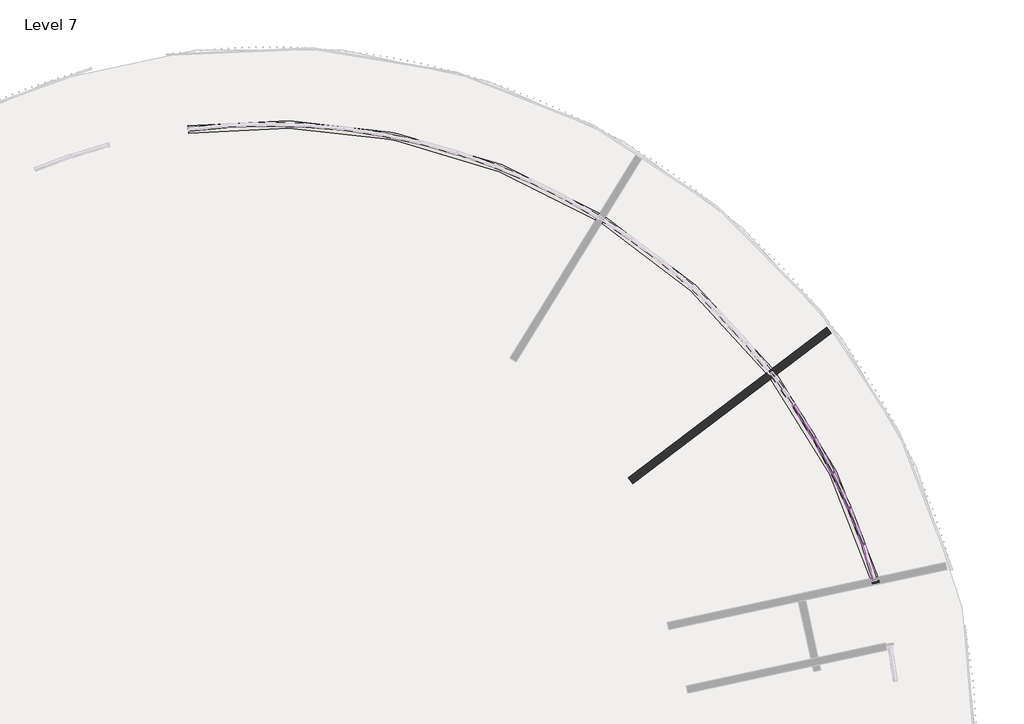
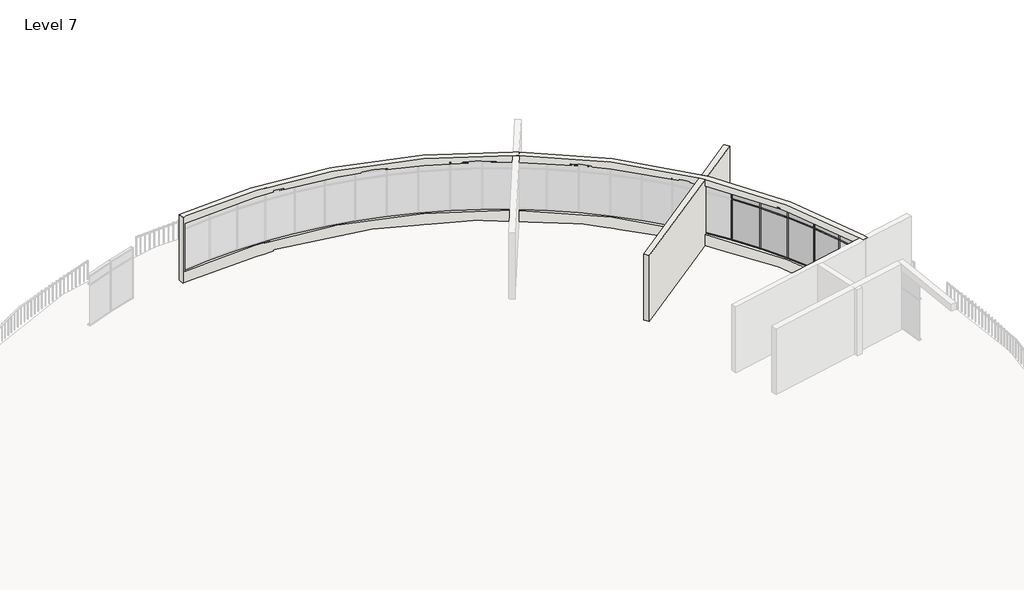
# One storey, part 9 of 10: 25 members, 9 plates, 2 walls.
"""IFC4 building model written with IfcOpenShell, lengths in millimetres."""

import ifcopenshell
import ifcopenshell.guid

model = None  # the IFC model being written
_history = None  # IfcOwnerHistory: only IFC2X3 demands one
_inside = {}  # id of a spatial element -> (the spatial element, [elements in it])
_under = {}  # id of a project, library or spatial element -> (it, [spatial elements below it])
_declared = {}  # id of a project -> (the project, [libraries it declares])
_typed = {}  # id of a type object -> (the type object, [elements of that type])
_made_of = {}  # id of a material, layer set ... -> (it, [elements and type objects made of it])


def new_model(schema):
    """Start an empty IFC model of exactly this schema.

    Asked for "IFC4X3", IfcOpenShell would pick the latest addendum, in which some entities
    have other attributes; the version numbers below select the first issue.
    IFC2X3 requires an IfcOwnerHistory on every rooted entity: one is made here for all.
    """
    global model, _history
    if schema == "IFC4X3":
        model = ifcopenshell.file(schema_version=(4, 3, 0, 0))
    else:
        model = ifcopenshell.file(schema=schema)
    _inside.clear()
    _under.clear()
    _declared.clear()
    _typed.clear()
    _made_of.clear()
    _history = None
    if model.schema == "IFC2X3":
        org = make("IfcOrganization", Name="unknown")
        user = make(
            "IfcPersonAndOrganization",
            ThePerson=make("IfcPerson", FamilyName="unknown"),
            TheOrganization=org,
        )
        app = make(
            "IfcApplication",
            ApplicationDeveloper=org,
            Version="unknown",
            ApplicationFullName="unknown",
            ApplicationIdentifier="unknown",
        )
        _history = make(
            "IfcOwnerHistory",
            OwningUser=user,
            OwningApplication=app,
            ChangeAction="ADDED",
            CreationDate=0,
        )
    return model


def make(cls, **values):
    """One entity of the class cls with the attributes given. An attribute that is None is left unset."""
    return model.create_entity(
        cls, **{name: value for name, value in values.items() if value is not None}
    )


def rooted(cls, **values):
    """An entity with a GlobalId (a new one), such as an element, a storey or a relation."""
    return make(cls, GlobalId=ifcopenshell.guid.new(), OwnerHistory=_history, **values)


def si_unit(unit_type, name, prefix=None):
    """IfcSIUnit, for example si_unit("LENGTHUNIT", "METRE", prefix="MILLI")."""
    return make("IfcSIUnit", UnitType=unit_type, Prefix=prefix, Name=name)


def assignment(units):
    """IfcUnitAssignment: the units of a project."""
    return None if units is None else make("IfcUnitAssignment", Units=units)


def point(xyz):
    """IfcCartesianPoint."""
    return None if xyz is None else make("IfcCartesianPoint", Coordinates=xyz)


def direction(xyz):
    """IfcDirection."""
    return None if xyz is None else make("IfcDirection", DirectionRatios=xyz)


def frame(location, z_axis=None, x_axis=None):
    """IfcAxis2Placement3D, a coordinate frame: its origin and axes. An axis left out is left unset."""
    return make(
        "IfcAxis2Placement3D",
        Location=point(location),
        Axis=direction(z_axis),
        RefDirection=direction(x_axis),
    )


def origin():
    """The frame at (0, 0, 0) with its axes left unset."""
    return frame((0.0, 0.0, 0.0))


def origin_with_axes():
    """The frame at (0, 0, 0) with the z axis (0, 0, 1) and the x axis (1, 0, 0) written out."""
    return frame((0.0, 0.0, 0.0), z_axis=(0.0, 0.0, 1.0), x_axis=(1.0, 0.0, 0.0))


def place(relative_to, where):
    """IfcLocalPlacement: puts the frame where relative to a parent placement (None: the world)."""
    return make(
        "IfcLocalPlacement", PlacementRelTo=relative_to, RelativePlacement=where
    )


def context(
    kind, dimensions, precision=None, world=None, true_north=None, identifier=None
):
    """IfcGeometricRepresentationContext, for example the 3D "Model" context."""
    return make(
        "IfcGeometricRepresentationContext",
        ContextIdentifier=identifier,
        ContextType=kind,
        CoordinateSpaceDimension=dimensions,
        Precision=precision,
        WorldCoordinateSystem=world,
        TrueNorth=true_north,
    )


def project(units=None, contexts=None):
    """IfcProject with its units and contexts."""
    return rooted(
        "IfcProject",
        Name="project",
        RepresentationContexts=contexts,
        UnitsInContext=assignment(units),
    )


def spatial(cls, under=None, at=None, **own):
    """A site, building, storey or space (cls), placed at a placement, below another one or the project."""
    s = rooted(cls, ObjectPlacement=at, **own)
    if under is not None:
        _under.setdefault(under.id(), (under, []))[1].append(s)
    return s


def polyline(points):
    """IfcPolyline through the points."""
    return make("IfcPolyline", Points=[point(p) for p in points])


def circle_curve(where, radius):
    """IfcCircle in the frame where."""
    return make("IfcCircle", Position=where, Radius=radius)


def outline(outer, holes=None, kind="AREA"):
    """IfcArbitraryClosedProfileDef: a profile drawn as a closed curve; with holes, ...WithVoids."""
    if holes is None:
        return make("IfcArbitraryClosedProfileDef", ProfileType=kind, OuterCurve=outer)
    return make(
        "IfcArbitraryProfileDefWithVoids",
        ProfileType=kind,
        OuterCurve=outer,
        InnerCurves=holes,
    )


def extrude(swept, where, along, depth):
    """IfcExtrudedAreaSolid: the profile swept, set in the frame where, extruded along a direction by depth."""
    return make(
        "IfcExtrudedAreaSolid",
        SweptArea=swept,
        Position=where,
        ExtrudedDirection=direction(along),
        Depth=depth,
    )


def shape(context_of_items, identifier, shape_type, items):
    """IfcShapeRepresentation: the items that make up one representation, for example the "Body"."""
    return make(
        "IfcShapeRepresentation",
        ContextOfItems=context_of_items,
        RepresentationIdentifier=identifier,
        RepresentationType=shape_type,
        Items=items,
    )


def source(mapping_origin, context_of_items, identifier, shape_type, items):
    """IfcRepresentationMap: a shape defined once, which mapped items show again and again."""
    return make(
        "IfcRepresentationMap",
        MappingOrigin=mapping_origin,
        MappedRepresentation=shape(context_of_items, identifier, shape_type, items),
    )


def transform(
    local_origin,
    x_axis=None,
    y_axis=None,
    z_axis=None,
    scale=None,
    scale2=None,
    scale3=None,
    uniform=True,
):
    """IfcCartesianTransformationOperator3D, or its non-uniform kind. x_axis, y_axis, z_axis: its Axis1, 2, 3."""
    if uniform:
        return make(
            "IfcCartesianTransformationOperator3D",
            Axis1=direction(x_axis),
            Axis2=direction(y_axis),
            LocalOrigin=point(local_origin),
            Scale=scale,
            Axis3=direction(z_axis),
        )
    return make(
        "IfcCartesianTransformationOperator3DnonUniform",
        Axis1=direction(x_axis),
        Axis2=direction(y_axis),
        LocalOrigin=point(local_origin),
        Scale=scale,
        Axis3=direction(z_axis),
        Scale2=scale2,
        Scale3=scale3,
    )


def mapped(mapping_source, mapping_target):
    """IfcMappedItem: shows the shape of a source again, moved by a transform."""
    return make(
        "IfcMappedItem", MappingSource=mapping_source, MappingTarget=mapping_target
    )


def made_of(thing, what):
    """Note that an element or type object is made of a material, layer set ...; save() writes the relation."""
    if what is not None:
        _made_of.setdefault(what.id(), (what, []))[1].append(thing)
    return thing


def element(
    cls,
    number,
    at=None,
    inside=None,
    cuts=None,
    type_object=None,
    material=None,
    context=None,
    identifier="Body",
    shape_type=None,
    held_by="IfcProductDefinitionShape",
    body=None,
    shapes=None,
    **own,
):
    """One element of the class cls, such as IfcWall. Its Tag is "e" and its number.

    at: its placement. inside: the storey or other place that contains it. cuts: it is an
    opening in that element (IfcRelVoidsElement). A single representation is given by context,
    identifier, shape_type and body (its items); several are given by shapes. held_by: the class
    of the entity that holds the representations. save() writes the other relations.
    """
    e = rooted(cls, Tag="e%d" % number, ObjectPlacement=at, **own)
    if body is not None:
        shapes = [shape(context, identifier, shape_type, body)]
    if shapes is not None:
        e.Representation = make(held_by, Representations=shapes)
    if inside is not None:
        _inside.setdefault(inside.id(), (inside, []))[1].append(e)
    if cuts is not None:
        rooted(
            "IfcRelVoidsElement", RelatingBuildingElement=cuts, RelatedOpeningElement=e
        )
    if type_object is not None:
        _typed.setdefault(type_object.id(), (type_object, []))[1].append(e)
    return made_of(e, material)


def aggregate(whole, parts):
    """IfcRelAggregates: a whole, such as a stair, and the parts it consists of."""
    return rooted("IfcRelAggregates", RelatingObject=whole, RelatedObjects=parts)


def save(model, path):
    """Write the relations noted so far, then the file.

    IfcRelAggregates (storeys below a building ...), IfcRelContainedInSpatialStructure (elements
    in a storey), IfcRelDefinesByType, IfcRelAssociatesMaterial and IfcRelDeclares: one each for
    every whole, place, type object, material and project.
    """
    for whole, parts in _under.values():
        aggregate(whole, parts)
    for where, things in _inside.values():
        rooted(
            "IfcRelContainedInSpatialStructure",
            RelatedElements=things,
            RelatingStructure=where,
        )
    for kind, things in _typed.values():
        rooted("IfcRelDefinesByType", RelatedObjects=things, RelatingType=kind)
    for what, things in _made_of.values():
        rooted("IfcRelAssociatesMaterial", RelatedObjects=things, RelatingMaterial=what)
    for by, libraries in _declared.values():
        rooted("IfcRelDeclares", RelatingContext=by, RelatedDefinitions=libraries)
    model.write(path)


def plane_surface(at):
    """IfcPlane: the flat surface through the origin of the frame at, square to its z axis."""
    return make("IfcPlane", Position=at)


def cylinder_surface(at, radius):
    """IfcCylindricalSurface: all points at the distance radius from the z axis of the frame at."""
    return make("IfcCylindricalSurface", Position=at, Radius=radius)


def revolved_surface(curve, axis_point, axis_direction):
    """IfcSurfaceOfRevolution: the curve turned about the line through axis_point along axis_direction."""
    return make(
        "IfcSurfaceOfRevolution",
        SweptCurve=make("IfcArbitraryOpenProfileDef", ProfileType="CURVE", Curve=curve),
        AxisPosition=make("IfcAxis1Placement", Location=point(axis_point), Axis=direction(axis_direction)),
    )


def advanced_brep(points, edges, surfaces, faces):
    """IfcAdvancedBrep: a solid bounded by faces that lie on surfaces and meet in shared edges.

    An edge is (start, end): straight between two places in points (the first is 0);
    or (start, end, curve); or (start, end, curve, False) where it runs against its curve.
    A face is (place in surfaces, loops), or (place, loops, False) where it looks against
    its surface's normal. A loop lists edges by number (the first is 1), with a minus sign
    where the edge is run from its end to its start. The first loop is the outer one.
    """
    corners = [point(p) for p in points]
    vertices = [make("IfcVertexPoint", VertexGeometry=c) for c in corners]
    made = []
    for start, end, *more in edges:
        made.append(
            make(
                "IfcEdgeCurve",
                EdgeStart=vertices[start],
                EdgeEnd=vertices[end],
                EdgeGeometry=more[0] if more else make("IfcPolyline", Points=[corners[start], corners[end]]),
                SameSense=more[1] if len(more) > 1 else True,
            )
        )
    hull = []
    for where, loops, *sense in faces:
        bounds = []
        for j, loop in enumerate(loops):
            ring = [make("IfcOrientedEdge", EdgeElement=made[abs(k) - 1], Orientation=k > 0) for k in loop]
            bounds.append(
                make(
                    "IfcFaceOuterBound" if j == 0 else "IfcFaceBound",
                    Bound=make("IfcEdgeLoop", EdgeList=ring),
                    Orientation=True,
                )
            )
        hull.append(make("IfcAdvancedFace", Bounds=bounds, FaceSurface=surfaces[where], SameSense=sense[0] if sense else True))
    return make("IfcAdvancedBrep", Outer=make("IfcClosedShell", CfsFaces=hull))


def rectangular_mullion_50_x_150mm_6225e4e3(model_context):
    return source(origin(), model_context, "Body", "SweptSolid", [
        extrude(outline(polyline([(25.0, 75.0), (25.0, -75.0), (-25.0, -75.0), (-25.0, 75.0), (25.0, 75.0)])), frame((0.0, 0.0, -2400.0), z_axis=(0.0, 0.0, 1.0), x_axis=(1.0, 0.0, 0.0)), (0.0, 0.0, 1.0), 2400.0),
    ])


def rectangular_mullion_50_x_150mm_6d614896(model_context):
    return source(origin(), model_context, "Body", "SweptSolid", [
        extrude(outline(polyline([(0.0, 75.0), (0.0, -75.0), (-50.0, -75.0), (-50.0, 75.0), (0.0, 75.0)])), frame((0.0, 0.0, -1494.9500293), z_axis=(0.0, 0.0, 1.0), x_axis=(1.0, 0.0, 0.0)), (0.0, 0.0, 1.0), 1494.9500293),
    ])


def rectangular_mullion_50_x_150mm_e67fcb05(model_context):
    return source(origin(), model_context, "Body", "SweptSolid", [
        extrude(outline(polyline([(0.0, 75.0), (0.0, -75.0), (-50.0, -75.0), (-50.0, 75.0), (0.0, 75.0)])), frame((0.0, 0.0, -1469.9500293), z_axis=(0.0, 0.0, 1.0), x_axis=(1.0, 0.0, 0.0)), (0.0, 0.0, 1.0), 1469.9500293),
    ])


def rectangular_mullion_50_x_150mm_73021700(model_context):
    return source(origin(), model_context, "Body", "SweptSolid", [
        extrude(outline(polyline([(25.0, 75.0), (25.0, -75.0), (-25.0, -75.0), (-25.0, 75.0), (25.0, 75.0)])), frame((0.0, 0.0, -1494.9500293), z_axis=(0.0, 0.0, 1.0), x_axis=(1.0, 0.0, 0.0)), (0.0, 0.0, 1.0), 1494.9500293),
    ])


def rectangular_mullion_50_x_150mm_1fcf8a90(model_context):
    return source(origin(), model_context, "Body", "SweptSolid", [
        extrude(outline(polyline([(25.0, 75.0), (25.0, -75.0), (-25.0, -75.0), (-25.0, 75.0), (25.0, 75.0)])), frame((0.0, 0.0, -405.6255213), z_axis=(0.0, 0.0, 1.0), x_axis=(1.0, 0.0, 0.0)), (0.0, 0.0, 1.0), 405.6255213),
    ])


def rectangular_mullion_50_x_150mm_15c7c822(model_context):
    return source(origin(), model_context, "Body", "SweptSolid", [
        extrude(outline(polyline([(25.0, 75.0), (25.0, -75.0), (-25.0, -75.0), (-25.0, 75.0), (25.0, 75.0)])), frame((0.0, 0.0, -1469.9500293), z_axis=(0.0, 0.0, 1.0), x_axis=(1.0, 0.0, 0.0)), (0.0, 0.0, 1.0), 1469.9500293),
    ])


def system_panel_glazed_e45d5687(model_context):
    return source(origin(), model_context, "Body", "SweptSolid", [
        extrude(outline(polyline([(747.4750147, 24.5), (-747.4750147, 24.5), (-747.4750147, 49.5), (747.4750147, 49.5), (747.4750147, 24.5)])), origin_with_axes(), (0.0, 0.0, 1.0), 2325.0),
    ])


def system_panel_glazed_f738d26e(model_context):
    return source(origin(), model_context, "Body", "SweptSolid", [
        extrude(outline(polyline([(747.4750147, 24.5), (-747.4750147, 24.5), (-747.4750147, 49.5), (747.4750147, 49.5), (747.4750147, 24.5)])), origin_with_axes(), (0.0, 0.0, 1.0), 330.6255213),
    ])


def system_panel_glazed_e63543ed(model_context):
    return source(origin(), model_context, "Body", "SweptSolid", [
        extrude(outline(polyline([(734.9750147, 24.5), (-734.9750147, 24.5), (-734.9750147, 49.5), (734.9750147, 49.5), (734.9750147, 24.5)])), origin_with_axes(), (0.0, 0.0, 1.0), 330.6255213),
    ])


model = new_model("IFC4")

# Units and contexts
model_context = context("Model", 3, world=origin())
ifc_project = project(units=[si_unit("LENGTHUNIT", "METRE", prefix="MILLI")], contexts=[model_context])

# Site, building, storey
site = spatial("IfcSite", under=ifc_project)
building = spatial("IfcBuilding", under=site)
storey = spatial("IfcBuildingStorey", under=building, Name="Level 7", Elevation=22600.0)

# Members
placement = place(None, origin())
rectangular_mullion_50_x_150mm_shape = rectangular_mullion_50_x_150mm_6225e4e3(model_context)
element("IfcMember", 1, ObjectType="Rectangular Mullion : 50 x 150mm", at=placement, inside=storey, context=model_context, shape_type="MappedRepresentation", body=[
    mapped(rectangular_mullion_50_x_150mm_shape, transform((14773.0954981, -45681.673062, 23256.5239523), x_axis=(-0.33366433978662624, 0.9426919477510959, 0.0), y_axis=(0.9426919477510959, 0.33366433978662624, 0.0), z_axis=(0.0, 0.0, -1.0))),
])
element("IfcMember", 2, ObjectType="Rectangular Mullion : 50 x 150mm", at=placement, inside=storey, context=model_context, shape_type="MappedRepresentation", body=[
    mapped(rectangular_mullion_50_x_150mm_shape, transform((14212.8452354, -44241.8848011, 23256.5239523), x_axis=(-0.3912558702228981, 0.9202819372432139, 0.0), y_axis=(0.9202819372432139, 0.3912558702228981, 0.0), z_axis=(0.0, 0.0, -1.0))),
])
element("IfcMember", 3, ObjectType="Rectangular Mullion : 50 x 150mm", at=placement, inside=storey, context=model_context, shape_type="MappedRepresentation", body=[
    mapped(rectangular_mullion_50_x_150mm_shape, transform((13564.7312169, -42839.4516254, 23256.5239523), x_axis=(-0.44735319724954964, 0.8943573765059499, 0.0), y_axis=(0.8943573765059499, 0.44735319724954964, 0.0), z_axis=(0.0, 0.0, -1.0))),
])
element("IfcMember", 4, ObjectType="Rectangular Mullion : 50 x 150mm", at=placement, inside=storey, context=model_context, shape_type="MappedRepresentation", body=[
    mapped(rectangular_mullion_50_x_150mm_shape, transform((12831.2285856, -41479.7294174, 23256.5239523), x_axis=(-0.5017420855702143, 0.8650172712539629, 0.0), y_axis=(0.8650172712539629, 0.5017420855702143, 0.0), z_axis=(0.0, 0.0, -1.0))),
])
element("IfcMember", 5, ObjectType="Rectangular Mullion : 50 x 150mm", at=placement, inside=storey, context=model_context, shape_type="MappedRepresentation", body=[
    mapped(rectangular_mullion_50_x_150mm_shape, transform((12015.1385828, -40167.9109465, 23256.5239523), x_axis=(-0.5542148244038911, 0.8323736711423326, 0.0), y_axis=(0.8323736711423326, 0.5542148244038911, 0.0), z_axis=(0.0, 0.0, -1.0))),
])
rectangular_mullion_50_x_150mm_2_shape = rectangular_mullion_50_x_150mm_6d614896(model_context)
element("IfcMember", 6, ObjectType="Rectangular Mullion : 50 x 150mm", at=placement, inside=storey, context=model_context, shape_type="MappedRepresentation", body=[
    mapped(rectangular_mullion_50_x_150mm_2_shape, transform((14764.0296666, -45658.3747637, 23256.5239523), x_axis=(0.0, 0.0, -1.0), y_axis=(0.931931928918202, 0.36263325807597857, 0.0), z_axis=(0.36263325807597857, -0.931931928918202, 0.0))),
])
element("IfcMember", 7, ObjectType="Rectangular Mullion : 50 x 150mm", at=placement, inside=storey, context=model_context, shape_type="MappedRepresentation", body=[
    mapped(rectangular_mullion_50_x_150mm_2_shape, transform((14202.3576143, -44219.1909736, 23256.5239523), x_axis=(0.0, 0.0, -1.0), y_axis=(0.9077530981912957, 0.4195048423130584, 0.0), z_axis=(0.4195048423130584, -0.9077530981912957, 0.0))),
])
element("IfcMember", 8, ObjectType="Rectangular Mullion : 50 x 150mm", at=placement, inside=storey, context=model_context, shape_type="MappedRepresentation", body=[
    mapped(rectangular_mullion_50_x_150mm_2_shape, transform((13552.8618584, -42817.4489363, 23256.5239523), x_axis=(0.0, 0.0, -1.0), y_axis=(0.8801075647830089, 0.47477434051528294, 0.0), z_axis=(0.47477434051528294, -0.8801075647830089, 0.0))),
])
element("IfcMember", 9, ObjectType="Rectangular Mullion : 50 x 150mm", at=placement, inside=storey, context=model_context, shape_type="MappedRepresentation", body=[
    mapped(rectangular_mullion_50_x_150mm_2_shape, transform((12818.0228187, -41458.5018947, 23256.5239523), x_axis=(0.0, 0.0, -1.0), y_axis=(0.849100906790487, 0.5282306788587471, 0.0), z_axis=(0.5282306788587471, -0.849100906790487, 0.0))),
])
element("IfcMember", 10, ObjectType="Rectangular Mullion : 50 x 150mm", at=placement, inside=storey, context=model_context, shape_type="MappedRepresentation", body=[
    mapped(rectangular_mullion_50_x_150mm_2_shape, transform((12000.6468401, -40147.5396581, 23256.5239523), x_axis=(0.0, 0.0, -1.0), y_axis=(0.8148515384219862, 0.5796697079642186, 0.0), z_axis=(0.5796697079642185, -0.8148515384219861, 0.0))),
])
rectangular_mullion_50_x_150mm_3_shape = rectangular_mullion_50_x_150mm_e67fcb05(model_context)
element("IfcMember", 11, ObjectType="Rectangular Mullion : 50 x 150mm", at=placement, inside=storey, context=model_context, shape_type="MappedRepresentation", body=[
    mapped(rectangular_mullion_50_x_150mm_3_shape, transform((14780.7049175, -45705.4868549, 26062.1494736), x_axis=(0.0, 0.0, 1.0), y_axis=(0.9525517181796632, 0.30437677998324963, 0.0), z_axis=(-0.30437677998324963, 0.9525517181796632, 0.0))),
])
element("IfcMember", 12, ObjectType="Rectangular Mullion : 50 x 150mm", at=placement, inside=storey, context=model_context, shape_type="MappedRepresentation", body=[
    mapped(rectangular_mullion_50_x_150mm_2_shape, transform((14221.9110668, -44265.1830993, 26062.1494736), x_axis=(0.0, 0.0, 1.0), y_axis=(0.931931928918202, 0.36263325807597874, 0.0), z_axis=(-0.36263325807597874, 0.931931928918202, 0.0))),
])
element("IfcMember", 13, ObjectType="Rectangular Mullion : 50 x 150mm", at=placement, inside=storey, context=model_context, shape_type="MappedRepresentation", body=[
    mapped(rectangular_mullion_50_x_150mm_2_shape, transform((13575.218838, -42862.1454528, 26062.1494736), x_axis=(0.0, 0.0, 1.0), y_axis=(0.9077530981912958, 0.41950484231305807, 0.0), z_axis=(-0.41950484231305807, 0.9077530981912958, 0.0))),
])
element("IfcMember", 14, ObjectType="Rectangular Mullion : 50 x 150mm", at=placement, inside=storey, context=model_context, shape_type="MappedRepresentation", body=[
    mapped(rectangular_mullion_50_x_150mm_2_shape, transform((12843.0979441, -41501.7321065, 26062.1494736), x_axis=(0.0, 0.0, 1.0), y_axis=(0.8801075647830084, 0.47477434051528383, 0.0), z_axis=(-0.47477434051528383, 0.8801075647830084, 0.0))),
])
element("IfcMember", 15, ObjectType="Rectangular Mullion : 50 x 150mm", at=placement, inside=storey, context=model_context, shape_type="MappedRepresentation", body=[
    mapped(rectangular_mullion_50_x_150mm_2_shape, transform((12028.3443498, -40189.1384692, 26062.1494736), x_axis=(0.0, 0.0, 1.0), y_axis=(0.849100906790487, 0.5282306788587471, 0.0), z_axis=(-0.5282306788587471, 0.849100906790487, 0.0))),
])
rectangular_mullion_50_x_150mm_4_shape = rectangular_mullion_50_x_150mm_73021700(model_context)
element("IfcMember", 16, ObjectType="Rectangular Mullion : 50 x 150mm", at=placement, inside=storey, context=model_context, shape_type="MappedRepresentation", body=[
    mapped(rectangular_mullion_50_x_150mm_4_shape, transform((14221.9110668, -44265.1830993, 25656.5239523), x_axis=(0.0, 0.0, 1.0), y_axis=(0.9319319289182019, 0.36263325807597885, 0.0), z_axis=(-0.36263325807597885, 0.9319319289182019, 0.0))),
])
element("IfcMember", 17, ObjectType="Rectangular Mullion : 50 x 150mm", at=placement, inside=storey, context=model_context, shape_type="MappedRepresentation", body=[
    mapped(rectangular_mullion_50_x_150mm_4_shape, transform((13575.218838, -42862.1454528, 25656.5239523), x_axis=(0.0, 0.0, 1.0), y_axis=(0.9077530981912961, 0.41950484231305746, 0.0), z_axis=(-0.4195048423130574, 0.907753098191296, 0.0))),
])
element("IfcMember", 18, ObjectType="Rectangular Mullion : 50 x 150mm", at=placement, inside=storey, context=model_context, shape_type="MappedRepresentation", body=[
    mapped(rectangular_mullion_50_x_150mm_4_shape, transform((12843.0979441, -41501.7321065, 25656.5239523), x_axis=(0.0, 0.0, 1.0), y_axis=(0.8801075647830084, 0.47477434051528383, 0.0), z_axis=(-0.47477434051528383, 0.8801075647830084, 0.0))),
])
element("IfcMember", 19, ObjectType="Rectangular Mullion : 50 x 150mm", at=placement, inside=storey, context=model_context, shape_type="MappedRepresentation", body=[
    mapped(rectangular_mullion_50_x_150mm_4_shape, transform((12028.3443498, -40189.1384692, 25656.5239523), x_axis=(0.0, 0.0, 1.0), y_axis=(0.849100906790487, 0.5282306788587471, 0.0), z_axis=(-0.5282306788587471, 0.849100906790487, 0.0))),
])
rectangular_mullion_50_x_150mm_5_shape = rectangular_mullion_50_x_150mm_1fcf8a90(model_context)
element("IfcMember", 20, ObjectType="Rectangular Mullion : 50 x 150mm", at=placement, inside=storey, context=model_context, shape_type="MappedRepresentation", body=[
    mapped(rectangular_mullion_50_x_150mm_5_shape, transform((14773.0954981, -45681.673062, 25656.5239523), x_axis=(-0.33366433978662624, 0.9426919477510959, 0.0), y_axis=(0.9426919477510959, 0.33366433978662624, 0.0), z_axis=(0.0, 0.0, -1.0))),
])
element("IfcMember", 21, ObjectType="Rectangular Mullion : 50 x 150mm", at=placement, inside=storey, context=model_context, shape_type="MappedRepresentation", body=[
    mapped(rectangular_mullion_50_x_150mm_5_shape, transform((14212.8452354, -44241.8848011, 25656.5239523), x_axis=(-0.39125587022289726, 0.9202819372432143, 0.0), y_axis=(0.9202819372432143, 0.39125587022289726, 0.0), z_axis=(0.0, 0.0, -1.0))),
])
element("IfcMember", 22, ObjectType="Rectangular Mullion : 50 x 150mm", at=placement, inside=storey, context=model_context, shape_type="MappedRepresentation", body=[
    mapped(rectangular_mullion_50_x_150mm_5_shape, transform((13564.7312169, -42839.4516254, 25656.5239523), x_axis=(-0.44735319724955125, 0.8943573765059492, 0.0), y_axis=(0.8943573765059492, 0.44735319724955125, 0.0), z_axis=(0.0, 0.0, -1.0))),
])
element("IfcMember", 23, ObjectType="Rectangular Mullion : 50 x 150mm", at=placement, inside=storey, context=model_context, shape_type="MappedRepresentation", body=[
    mapped(rectangular_mullion_50_x_150mm_5_shape, transform((12831.2285856, -41479.7294174, 25656.5239523), x_axis=(-0.5017420855702135, 0.8650172712539633, 0.0), y_axis=(0.8650172712539633, 0.5017420855702135, 0.0), z_axis=(0.0, 0.0, -1.0))),
])
element("IfcMember", 24, ObjectType="Rectangular Mullion : 50 x 150mm", at=placement, inside=storey, context=model_context, shape_type="MappedRepresentation", body=[
    mapped(rectangular_mullion_50_x_150mm_5_shape, transform((12015.1385828, -40167.9109465, 25656.5239523), x_axis=(-0.5542148244038911, 0.8323736711423326, 0.0), y_axis=(0.8323736711423326, 0.5542148244038911, 0.0), z_axis=(0.0, 0.0, -1.0))),
])
rectangular_mullion_50_x_150mm_6_shape = rectangular_mullion_50_x_150mm_15c7c822(model_context)
element("IfcMember", 25, ObjectType="Rectangular Mullion : 50 x 150mm", at=placement, inside=storey, context=model_context, shape_type="MappedRepresentation", body=[
    mapped(rectangular_mullion_50_x_150mm_6_shape, transform((14780.7049175, -45705.4868549, 25656.5239523), x_axis=(0.0, 0.0, 1.0), y_axis=(0.9525517181796632, 0.30437677998324963, 0.0), z_axis=(-0.30437677998324963, 0.9525517181796632, 0.0))),
])

# Plates
system_panel_glazed_shape = system_panel_glazed_e45d5687(model_context)
element("IfcPlate", 26, ObjectType="System Panel : Glazed", at=placement, inside=storey, context=model_context, shape_type="MappedRepresentation", body=[
    mapped(system_panel_glazed_shape, transform((14492.9703667, -44961.7789315, 23306.5239523), x_axis=(-0.36263325807597874, 0.931931928918202, 0.0), y_axis=(-0.931931928918202, -0.36263325807597874, 0.0), z_axis=(0.0, 0.0, 1.0))),
])
element("IfcPlate", 27, ObjectType="System Panel : Glazed", at=placement, inside=storey, context=model_context, shape_type="MappedRepresentation", body=[
    mapped(system_panel_glazed_shape, transform((13888.7882261, -43540.6682132, 23306.5239523), x_axis=(-0.4195048423130587, 0.9077530981912956, 0.0), y_axis=(-0.9077530981912956, -0.4195048423130587, 0.0), z_axis=(0.0, 0.0, 1.0))),
])
element("IfcPlate", 28, ObjectType="System Panel : Glazed", at=placement, inside=storey, context=model_context, shape_type="MappedRepresentation", body=[
    mapped(system_panel_glazed_shape, transform((13197.9799013, -42159.5905214, 23306.5239523), x_axis=(-0.47477434051528333, 0.8801075647830087, 0.0), y_axis=(-0.8801075647830087, -0.47477434051528333, 0.0), z_axis=(0.0, 0.0, 1.0))),
])
element("IfcPlate", 29, ObjectType="System Panel : Glazed", at=placement, inside=storey, context=model_context, shape_type="MappedRepresentation", body=[
    mapped(system_panel_glazed_shape, transform((12423.1835842, -40823.820182, 23306.5239523), x_axis=(-0.5282306788587471, 0.849100906790487, 0.0), y_axis=(-0.849100906790487, -0.5282306788587471, 0.0), z_axis=(0.0, 0.0, 1.0))),
])
system_panel_glazed_2_shape = system_panel_glazed_f738d26e(model_context)
element("IfcPlate", 30, ObjectType="System Panel : Glazed", at=placement, inside=storey, context=model_context, shape_type="MappedRepresentation", body=[
    mapped(system_panel_glazed_2_shape, transform((14492.9703667, -44961.7789315, 25681.5239523), x_axis=(-0.36263325807597874, 0.931931928918202, 0.0), y_axis=(-0.931931928918202, -0.36263325807597874, 0.0), z_axis=(0.0, 0.0, 1.0))),
])
element("IfcPlate", 31, ObjectType="System Panel : Glazed", at=placement, inside=storey, context=model_context, shape_type="MappedRepresentation", body=[
    mapped(system_panel_glazed_2_shape, transform((13888.7882261, -43540.6682132, 25681.5239523), x_axis=(-0.4195048423130587, 0.9077530981912956, 0.0), y_axis=(-0.9077530981912956, -0.4195048423130587, 0.0), z_axis=(0.0, 0.0, 1.0))),
])
element("IfcPlate", 32, ObjectType="System Panel : Glazed", at=placement, inside=storey, context=model_context, shape_type="MappedRepresentation", body=[
    mapped(system_panel_glazed_2_shape, transform((13197.9799013, -42159.5905214, 25681.5239523), x_axis=(-0.47477434051528333, 0.8801075647830088, 0.0), y_axis=(-0.8801075647830088, -0.47477434051528333, 0.0), z_axis=(0.0, 0.0, 1.0))),
])
element("IfcPlate", 33, ObjectType="System Panel : Glazed", at=placement, inside=storey, context=model_context, shape_type="MappedRepresentation", body=[
    mapped(system_panel_glazed_2_shape, transform((12423.1835842, -40823.820182, 25681.5239523), x_axis=(-0.5282306788587471, 0.849100906790487, 0.0), y_axis=(-0.849100906790487, -0.5282306788587471, 0.0), z_axis=(0.0, 0.0, 1.0))),
])
system_panel_glazed_3_shape = system_panel_glazed_e63543ed(model_context)
element("IfcPlate", 34, ObjectType="System Panel : Glazed", at=placement, inside=storey, context=model_context, shape_type="MappedRepresentation", body=[
    mapped(system_panel_glazed_3_shape, transform((15004.4142459, -46405.588568, 25681.5239523), x_axis=(-0.3043767799832502, 0.952551718179663, 0.0), y_axis=(-0.952551718179663, -0.3043767799832502, 0.0), z_axis=(0.0, 0.0, 1.0))),
])

# Walls
element("IfcWall", 35, ObjectType="Generic - 300mm", at=placement, inside=storey, context=model_context, shape_type="AdvancedBrep", body=[
    advanced_brep(
    [(13506.9903485, -37313.1583048, 22600.0), (13506.9903485, -37313.1583048, 26450.0), (11341.3935594, -38954.0996506, 26450.0), (11341.3935594, -38954.0996506, 26062.1494736), (11102.2795599, -39135.283909, 26062.1494736), (11102.2795599, -39135.283909, 26450.0), (5626.4927157, -43284.4612069, 26450.0), (5626.4927157, -43284.4612069, 22600.0), (11102.2795599, -39135.283909, 22600.0), (11102.2795599, -39135.283909, 23256.5239523), (11341.3935594, -38954.0996506, 23256.5239523), (11341.3935594, -38954.0996506, 22600.0), (13325.8093516, -37074.0486095, 26450.0), (13325.8093516, -37074.0486095, 22600.0), (11160.2125625, -38714.9899554, 22600.0), (11160.2125625, -38714.9899554, 23256.5239523), (10921.098563, -38896.1742137, 23256.5239523), (10921.098563, -38896.1742137, 22600.0), (5445.3117188, -43045.3515116, 22600.0), (5445.3117188, -43045.3515116, 26450.0), (10921.098563, -38896.1742137, 26450.0), (10921.098563, -38896.1742137, 26062.1494736), (11160.2125625, -38714.9899554, 26062.1494736), (11160.2125625, -38714.9899554, 26450.0)],
    [
        (0, 1),
        (1, 2),
        (2, 3),
        (3, 4),
        (4, 5),
        (5, 6),
        (6, 7),
        (7, 8),
        (8, 9),
        (9, 10),
        (10, 11),
        (11, 0),
        (12, 13),
        (13, 14),
        (14, 15),
        (15, 16),
        (16, 17),
        (17, 18),
        (18, 19),
        (19, 20),
        (20, 21),
        (21, 22),
        (22, 23),
        (23, 12),
        (13, 0),
        (11, 14, circle_curve(frame((-8794.2031957, -54023.2815566, 22600.0), z_axis=(0.0, 0.0, 1.0), x_axis=(1.0, 0.0, 0.0)), 25150.0)),
        (7, 18),
        (17, 8, circle_curve(frame((-8794.2031957, -54023.2815566, 22600.0), z_axis=(0.0, 0.0, -1.0), x_axis=(1.0, 0.0, 0.0)), 24850.0)),
        (12, 1),
        (6, 19),
        (4, 21, circle_curve(frame((-8794.2031957, -54023.2815566, 26062.1494736), z_axis=(0.0, 0.0, 1.0), x_axis=(1.0, 0.0, 0.0)), 24850.0)),
        (20, 5, circle_curve(frame((-8794.2031957, -54023.2815566, 26450.0), z_axis=(0.0, 0.0, -1.0), x_axis=(1.0, 0.0, 0.0)), 24850.0)),
        (16, 9, circle_curve(frame((-8794.2031957, -54023.2815566, 23256.5239523), z_axis=(0.0, 0.0, -1.0), x_axis=(1.0, 0.0, 0.0)), 24850.0)),
        (22, 3, circle_curve(frame((-8794.2031957, -54023.2815566, 26062.1494736), z_axis=(0.0, 0.0, -1.0), x_axis=(1.0, 0.0, 0.0)), 25150.0)),
        (2, 23, circle_curve(frame((-8794.2031957, -54023.2815566, 26450.0), z_axis=(0.0, 0.0, 1.0), x_axis=(1.0, 0.0, 0.0)), 25150.0)),
        (10, 15, circle_curve(frame((-8794.2031957, -54023.2815566, 23256.5239523), z_axis=(0.0, 0.0, 1.0), x_axis=(1.0, 0.0, 0.0)), 25150.0)),
    ],
    [
        plane_surface(frame((-8703.6126973, -54142.8364043, 22600.0), z_axis=(0.6039366563264414, -0.7970323175036492, 0.0), x_axis=(0.7970323175036492, 0.6039366563264414, 0.0))),
        plane_surface(frame((-8884.7936942, -53903.726709, 22600.0), z_axis=(-0.6039366563264414, 0.7970323175036492, 0.0), x_axis=(-0.7970323175036492, -0.6039366563264414, 0.0))),
        plane_surface(frame((5626.4927157, -43284.4612069, 22600.0), z_axis=(0.0, 0.0, -1.0), x_axis=(-0.6039366563264343, 0.7970323175036546, 0.0))),
        plane_surface(frame((13506.9903485, -37313.1583048, 22600.0), z_axis=(0.7970323175036581, 0.6039366563264298, 0.0), x_axis=(-0.6039366563264298, 0.7970323175036581, 0.0))),
        plane_surface(frame((5626.4927157, -43284.4612069, 26450.0), z_axis=(-0.7970323175036476, -0.6039366563264434, 0.0), x_axis=(-0.6039366563264434, 0.7970323175036476, 0.0))),
        cylinder_surface(frame((-8794.2031957, -54023.2815566, 22600.0), z_axis=(0.0, 0.0, -1.0), x_axis=(1.0, 0.0, 0.0)), 24850.0),
        revolved_surface(polyline([(16355.7968043, -54023.2815566, 26450.0), (16355.7968043, -54023.2815566, 26062.1494736)]), (-8794.2031957, -54023.2815566, 22600.0), (0.0, 0.0, 1.0)),
        revolved_surface(polyline([(16355.7968043, -54023.2815566, 23256.5239523), (16355.7968043, -54023.2815566, 22600.0)]), (-8794.2031957, -54023.2815566, 22600.0), (0.0, 0.0, 1.0)),
        plane_surface(frame((4774.245811, -33386.6966329, 26062.1494736), z_axis=(0.0, 0.0, 1.0), x_axis=(-0.8355704571975281, 0.5493833006733222, 0.0))),
        plane_surface(frame((19283.6901154, -54023.2815566, 26450.0), z_axis=(0.0, 0.0, 1.0), x_axis=(0.0, -1.0, 0.0))),
        plane_surface(frame((4774.245811, -33386.6966329, 23256.5239523), z_axis=(0.0, 0.0, -1.0), x_axis=(0.8355704571975348, -0.549383300673312, 0.0))),
    ],
    [
        (0, [[1, 2, 3, 4, 5, 6, 7, 8, 9, 10, 11, 12]]),
        (1, [[13, 14, 15, 16, 17, 18, 19, 20, 21, 22, 23, 24]]),
        (2, [[25, -12, 26, -14]]),
        (2, [[27, -18, 28, -8]]),
        (3, [[-1, -25, -13, 29]]),
        (4, [[-7, 30, -19, -27]]),
        (5, [[31, -21, 32, -5]]),
        (5, [[33, -9, -28, -17]]),
        (6, [[34, -3, 35, -23]]),
        (7, [[36, -15, -26, -11]]),
        (8, [[-31, -4, -34, -22]]),
        (9, [[-29, -24, -35, -2]]),
        (9, [[-30, -6, -32, -20]]),
        (10, [[-33, -16, -36, -10]]),
    ],
),
])
element("IfcWall", 36, ObjectType="Generic - 300mm", at=placement, inside=storey, context=model_context, shape_type="AdvancedBrep", body=[
    advanced_brep(
    [(15122.3281584, -47276.2801497, 22600.0), (15055.3869502, -47043.3429636, 22600.0), (11102.2760562, -39135.2792295, 22600.0), (10921.0952396, -38896.1700913, 22600.0), (4399.1796058, -32964.8593457, 22600.0), (4144.0030661, -32807.1246344, 22600.0), (-3751.8000793, -29690.2450136, 22600.0), (-4045.9296323, -29631.1435887, 22600.0), (-11849.9443497, -29361.8757279, 22600.0), (-12080.9921266, -29391.6044208, 22600.0), (-12120.671671, -29094.2401093, 22600.0), (-3986.8215133, -29337.0186922, 22600.0), (-3692.7049201, -29396.1173983, 22600.0), (4301.739291, -32551.9335904, 22600.0), (4556.9258176, -32709.674311, 22600.0), (11160.2120553, -38714.9895062, 22600.0), (11341.3926922, -38954.0984945, 22600.0), (15349.4011155, -46979.9256096, 22600.0), (15411.0589192, -47194.8274164, 22600.0), (15219.3416022, -47248.9120572, 22600.0), (15194.8478742, -47255.8218894, 22600.0), (15122.3281584, -47276.2801497, 26450.0), (15055.3915919, -47043.3583146, 26450.0), (11102.2767375, -39135.2801371, 26450.0), (10921.0956978, -38896.1704796, 26450.0), (4399.1829034, -32964.8613111, 26450.0), (4143.999808, -32807.122549, 26450.0), (-3751.8043055, -29690.2440678, 26450.0), (-4045.9253811, -29631.1443441, 26450.0), (-11849.9619606, -29361.8777367, 26450.0), (-12080.9921266, -29391.6044208, 26450.0), (-11995.0148515, -29380.2844835, 26062.1494736), (-4045.9236569, -29631.1446797, 26062.1494736), (-3751.8025601, -29690.2444295, 26062.1494736), (4144.0006937, -32807.1230892, 26062.1494736), (4399.1837962, -32964.8618704, 26062.1494736), (10921.0971362, -38896.1723541, 26062.1494736), (11102.2781383, -39135.2820092, 26062.1494736), (15055.391544, -47043.3581508, 26062.1494736), (15099.1171396, -47194.537649, 26062.1494736), (15099.1171396, -47194.537649, 23256.5239523), (15055.391544, -47043.3581508, 23256.5239523), (11102.2781383, -39135.2820092, 23256.5239523), (10921.0971362, -38896.1723541, 23256.5239523), (4399.1837962, -32964.8618704, 23256.5239523), (4144.0006937, -32807.1230892, 23256.5239523), (-3751.8025601, -29690.2444295, 23256.5239523), (-4045.9236569, -29631.1446797, 23256.5239523), (-11995.0148515, -29380.2844835, 23256.5239523), (15411.0589192, -47194.8274164, 26450.0), (15219.3416022, -47248.9120572, 26450.0), (15194.8478742, -47255.8218894, 26450.0), (-12120.671671, -29094.2401093, 26450.0), (-3986.8228433, -29337.0182884, 26450.0), (-3692.7017465, -29396.1180382, 26450.0), (4301.7409746, -32551.9344567, 26450.0), (4556.9241867, -32709.6732836, 26450.0), (11160.2124546, -38714.9898148, 26450.0), (11341.3933465, -38954.0993662, 26450.0), (15349.4058274, -46979.9412029, 26450.0), (15387.5676869, -47112.0980848, 26062.1494736), (15349.4058445, -46979.9412616, 26062.1494736), (11341.393547, -38954.0996341, 26062.1494736), (11160.2125495, -38714.9899385, 26062.1494736), (4556.9250766, -32709.673841, 26062.1494736), (4301.741882, -32551.9350101, 26062.1494736), (-3692.7017465, -29396.1180382, 26062.1494736), (-3986.8228433, -29337.0182884, 26062.1494736), (-12033.6564409, -29082.7835128, 26062.1494736), (-12033.6564409, -29082.7835128, 23256.5239523), (-3986.8228433, -29337.0182884, 23256.5239523), (-3692.7017465, -29396.1180382, 23256.5239523), (4301.741882, -32551.9350101, 23256.5239523), (4556.9250766, -32709.673841, 23256.5239523), (11160.2125495, -38714.9899385, 23256.5239523), (11341.393547, -38954.0996341, 23256.5239523), (15349.4058445, -46979.9412616, 23256.5239523), (15387.5676869, -47112.0980848, 23256.5239523), (15255.361186, -47149.882885, 26062.1494736), (15231.3236404, -47156.7528487, 26062.1494736), (15201.3134454, -47165.3298039, 26062.1494736), (15176.838106, -47172.3248896, 26062.1494736), (-12012.72558, -29243.929872, 26062.1494736), (-12015.9457124, -29219.1381244, 26062.1494736), (-12012.72558, -29243.929872, 23256.5239523), (-12015.9457124, -29219.1381244, 23256.5239523), (15176.838106, -47172.3248896, 23256.5239523), (15201.3134454, -47165.3298039, 23256.5239523), (15231.3236404, -47156.7528487, 23256.5239523), (15255.361186, -47149.882885, 23256.5239523)],
    [
        (0, 1, circle_curve(frame((-8794.2031957, -54023.2815566, 22600.0), z_axis=(0.0, 0.0, 1.0), x_axis=(1.0, 0.0, 0.0)), 24850.0)),
        (1, 2, circle_curve(frame((-8794.2031957, -54023.2815566, 22600.0), z_axis=(0.0, 0.0, 1.0), x_axis=(1.0, 0.0, 0.0)), 24849.999857)),
        (2, 3, circle_curve(frame((-8794.2031957, -54023.2815566, 22600.0), z_axis=(0.0, 0.0, 1.0), x_axis=(1.0, 0.0, 0.0)), 24849.9999983)),
        (3, 4, circle_curve(frame((-8794.2031957, -54023.2815566, 22600.0), z_axis=(0.0, 0.0, 1.0), x_axis=(1.0, 0.0, 0.0)), 24849.9998728)),
        (4, 5, circle_curve(frame((-8794.2031957, -54023.2815566, 22600.0), z_axis=(0.0, 0.0, 1.0), x_axis=(1.0, 0.0, 0.0)), 24849.9999147)),
        (5, 6, circle_curve(frame((-8794.2031957, -54023.2815566, 22600.0), z_axis=(0.0, 0.0, 1.0), x_axis=(1.0, 0.0, 0.0)), 24849.999916)),
        (6, 7, circle_curve(frame((-8794.2031957, -54023.2815566, 22600.0), z_axis=(0.0, 0.0, 1.0), x_axis=(1.0, 0.0, 0.0)), 24849.9999314)),
        (7, 8, circle_curve(frame((-8794.2031957, -54023.2815566, 22600.0), z_axis=(0.0, 0.0, 1.0), x_axis=(1.0, 0.0, 0.0)), 24849.9999292)),
        (8, 9, circle_curve(frame((-8794.2031957, -54023.2815566, 22600.0), z_axis=(0.0, 0.0, 1.0), x_axis=(1.0, 0.0, 0.0)), 24849.9998279)),
        (9, 10),
        (10, 11, circle_curve(frame((-8794.2031957, -54023.2815566, 22600.0), z_axis=(0.0, 0.0, -1.0), x_axis=(1.0, 0.0, 0.0)), 25150.0)),
        (11, 12, circle_curve(frame((-8794.2031957, -54023.2815566, 22600.0), z_axis=(0.0, 0.0, -1.0), x_axis=(1.0, 0.0, 0.0)), 25149.9998579)),
        (12, 13, circle_curve(frame((-8794.2031957, -54023.2815566, 22600.0), z_axis=(0.0, 0.0, -1.0), x_axis=(1.0, 0.0, 0.0)), 25149.9999828)),
        (13, 14, circle_curve(frame((-8794.2031957, -54023.2815566, 22600.0), z_axis=(0.0, 0.0, -1.0), x_axis=(1.0, 0.0, 0.0)), 25149.9998629)),
        (14, 15, circle_curve(frame((-8794.2031957, -54023.2815566, 22600.0), z_axis=(0.0, 0.0, -1.0), x_axis=(1.0, 0.0, 0.0)), 25149.9999951)),
        (15, 16, circle_curve(frame((-8794.2031957, -54023.2815566, 22600.0), z_axis=(0.0, 0.0, -1.0), x_axis=(1.0, 0.0, 0.0)), 25149.999871)),
        (16, 17, circle_curve(frame((-8794.2031957, -54023.2815566, 22600.0), z_axis=(0.0, 0.0, -1.0), x_axis=(1.0, 0.0, 0.0)), 25149.9999985)),
        (17, 18, circle_curve(frame((-8794.2031957, -54023.2815566, 22600.0), z_axis=(0.0, 0.0, -1.0), x_axis=(1.0, 0.0, 0.0)), 25149.9998436)),
        (18, 19),
        (19, 20),
        (20, 0),
        (0, 21),
        (21, 22, circle_curve(frame((-8794.2031957, -54023.2815566, 26450.0), z_axis=(0.0, 0.0, 1.0), x_axis=(1.0, 0.0, 0.0)), 24850.0)),
        (22, 23, circle_curve(frame((-8794.2031957, -54023.2815566, 26450.0), z_axis=(0.0, 0.0, 1.0), x_axis=(1.0, 0.0, 0.0)), 24850.0)),
        (23, 24, circle_curve(frame((-8794.2031957, -54023.2815566, 26450.0), z_axis=(0.0, 0.0, 1.0), x_axis=(1.0, 0.0, 0.0)), 24850.0)),
        (24, 25, circle_curve(frame((-8794.2031957, -54023.2815566, 26450.0), z_axis=(0.0, 0.0, 1.0), x_axis=(1.0, 0.0, 0.0)), 24850.0)),
        (25, 26, circle_curve(frame((-8794.2031957, -54023.2815566, 26450.0), z_axis=(0.0, 0.0, 1.0), x_axis=(1.0, 0.0, 0.0)), 24850.0)),
        (26, 27, circle_curve(frame((-8794.2031957, -54023.2815566, 26450.0), z_axis=(0.0, 0.0, 1.0), x_axis=(1.0, 0.0, 0.0)), 24850.0)),
        (27, 28, circle_curve(frame((-8794.2031957, -54023.2815566, 26450.0), z_axis=(0.0, 0.0, 1.0), x_axis=(1.0, 0.0, 0.0)), 24850.0)),
        (28, 29, circle_curve(frame((-8794.2031957, -54023.2815566, 26450.0), z_axis=(0.0, 0.0, 1.0), x_axis=(1.0, 0.0, 0.0)), 24850.0)),
        (29, 30, circle_curve(frame((-8794.2031957, -54023.2815566, 26450.0), z_axis=(0.0, 0.0, 1.0), x_axis=(1.0, 0.0, 0.0)), 24850.0)),
        (30, 9),
        (31, 32, circle_curve(frame((-8794.2031957, -54023.2815566, 26062.1494736), z_axis=(0.0, 0.0, -1.0), x_axis=(1.0, 0.0, 0.0)), 24850.0)),
        (32, 33, circle_curve(frame((-8794.2031957, -54023.2815566, 26062.1494736), z_axis=(0.0, 0.0, -1.0), x_axis=(1.0, 0.0, 0.0)), 24850.0)),
        (33, 34, circle_curve(frame((-8794.2031957, -54023.2815566, 26062.1494736), z_axis=(0.0, 0.0, -1.0), x_axis=(1.0, 0.0, 0.0)), 24850.0)),
        (34, 35, circle_curve(frame((-8794.2031957, -54023.2815566, 26062.1494736), z_axis=(0.0, 0.0, -1.0), x_axis=(1.0, 0.0, 0.0)), 24850.0)),
        (35, 36, circle_curve(frame((-8794.2031957, -54023.2815566, 26062.1494736), z_axis=(0.0, 0.0, -1.0), x_axis=(1.0, 0.0, 0.0)), 24850.0)),
        (36, 37, circle_curve(frame((-8794.2031957, -54023.2815566, 26062.1494736), z_axis=(0.0, 0.0, -1.0), x_axis=(1.0, 0.0, 0.0)), 24850.0)),
        (37, 38, circle_curve(frame((-8794.2031957, -54023.2815566, 26062.1494736), z_axis=(0.0, 0.0, -1.0), x_axis=(1.0, 0.0, 0.0)), 24850.0)),
        (38, 39, circle_curve(frame((-8794.2031957, -54023.2815566, 26062.1494736), z_axis=(0.0, 0.0, -1.0), x_axis=(1.0, 0.0, 0.0)), 24850.0)),
        (39, 40),
        (40, 41, circle_curve(frame((-8794.2031957, -54023.2815566, 23256.5239523), z_axis=(0.0, 0.0, 1.0), x_axis=(1.0, 0.0, 0.0)), 24850.0)),
        (41, 42, circle_curve(frame((-8794.2031957, -54023.2815566, 23256.5239523), z_axis=(0.0, 0.0, 1.0), x_axis=(1.0, 0.0, 0.0)), 24850.0)),
        (42, 43, circle_curve(frame((-8794.2031957, -54023.2815566, 23256.5239523), z_axis=(0.0, 0.0, 1.0), x_axis=(1.0, 0.0, 0.0)), 24850.0)),
        (43, 44, circle_curve(frame((-8794.2031957, -54023.2815566, 23256.5239523), z_axis=(0.0, 0.0, 1.0), x_axis=(1.0, 0.0, 0.0)), 24850.0)),
        (44, 45, circle_curve(frame((-8794.2031957, -54023.2815566, 23256.5239523), z_axis=(0.0, 0.0, 1.0), x_axis=(1.0, 0.0, 0.0)), 24850.0)),
        (45, 46, circle_curve(frame((-8794.2031957, -54023.2815566, 23256.5239523), z_axis=(0.0, 0.0, 1.0), x_axis=(1.0, 0.0, 0.0)), 24850.0)),
        (46, 47, circle_curve(frame((-8794.2031957, -54023.2815566, 23256.5239523), z_axis=(0.0, 0.0, 1.0), x_axis=(1.0, 0.0, 0.0)), 24850.0)),
        (47, 48, circle_curve(frame((-8794.2031957, -54023.2815566, 23256.5239523), z_axis=(0.0, 0.0, 1.0), x_axis=(1.0, 0.0, 0.0)), 24850.0)),
        (48, 31),
        (18, 49),
        (49, 50),
        (50, 51),
        (51, 21),
        (10, 52),
        (52, 53, circle_curve(frame((-8794.2031957, -54023.2815566, 26450.0), z_axis=(0.0, 0.0, -1.0), x_axis=(1.0, 0.0, 0.0)), 25150.0)),
        (53, 54, circle_curve(frame((-8794.2031957, -54023.2815566, 26450.0), z_axis=(0.0, 0.0, -1.0), x_axis=(1.0, 0.0, 0.0)), 25150.0)),
        (54, 55, circle_curve(frame((-8794.2031957, -54023.2815566, 26450.0), z_axis=(0.0, 0.0, -1.0), x_axis=(1.0, 0.0, 0.0)), 25150.0)),
        (55, 56, circle_curve(frame((-8794.2031957, -54023.2815566, 26450.0), z_axis=(0.0, 0.0, -1.0), x_axis=(1.0, 0.0, 0.0)), 25150.0)),
        (56, 57, circle_curve(frame((-8794.2031957, -54023.2815566, 26450.0), z_axis=(0.0, 0.0, -1.0), x_axis=(1.0, 0.0, 0.0)), 25150.0)),
        (57, 58, circle_curve(frame((-8794.2031957, -54023.2815566, 26450.0), z_axis=(0.0, 0.0, -1.0), x_axis=(1.0, 0.0, 0.0)), 25150.0)),
        (58, 59, circle_curve(frame((-8794.2031957, -54023.2815566, 26450.0), z_axis=(0.0, 0.0, -1.0), x_axis=(1.0, 0.0, 0.0)), 25150.0)),
        (59, 49, circle_curve(frame((-8794.2031957, -54023.2815566, 26450.0), z_axis=(0.0, 0.0, -1.0), x_axis=(1.0, 0.0, 0.0)), 25150.0)),
        (60, 61, circle_curve(frame((-8794.2031957, -54023.2815566, 26062.1494736), z_axis=(0.0, 0.0, 1.0), x_axis=(1.0, 0.0, 0.0)), 25150.0)),
        (61, 62, circle_curve(frame((-8794.2031957, -54023.2815566, 26062.1494736), z_axis=(0.0, 0.0, 1.0), x_axis=(1.0, 0.0, 0.0)), 25150.0)),
        (62, 63, circle_curve(frame((-8794.2031957, -54023.2815566, 26062.1494736), z_axis=(0.0, 0.0, 1.0), x_axis=(1.0, 0.0, 0.0)), 25150.0)),
        (63, 64, circle_curve(frame((-8794.2031957, -54023.2815566, 26062.1494736), z_axis=(0.0, 0.0, 1.0), x_axis=(1.0, 0.0, 0.0)), 25150.0)),
        (64, 65, circle_curve(frame((-8794.2031957, -54023.2815566, 26062.1494736), z_axis=(0.0, 0.0, 1.0), x_axis=(1.0, 0.0, 0.0)), 25150.0)),
        (65, 66, circle_curve(frame((-8794.2031957, -54023.2815566, 26062.1494736), z_axis=(0.0, 0.0, 1.0), x_axis=(1.0, 0.0, 0.0)), 25150.0)),
        (66, 67, circle_curve(frame((-8794.2031957, -54023.2815566, 26062.1494736), z_axis=(0.0, 0.0, 1.0), x_axis=(1.0, 0.0, 0.0)), 25150.0)),
        (67, 68, circle_curve(frame((-8794.2031957, -54023.2815566, 26062.1494736), z_axis=(0.0, 0.0, 1.0), x_axis=(1.0, 0.0, 0.0)), 25150.0)),
        (68, 69),
        (69, 70, circle_curve(frame((-8794.2031957, -54023.2815566, 23256.5239523), z_axis=(0.0, 0.0, -1.0), x_axis=(1.0, 0.0, 0.0)), 25150.0)),
        (70, 71, circle_curve(frame((-8794.2031957, -54023.2815566, 23256.5239523), z_axis=(0.0, 0.0, -1.0), x_axis=(1.0, 0.0, 0.0)), 25150.0)),
        (71, 72, circle_curve(frame((-8794.2031957, -54023.2815566, 23256.5239523), z_axis=(0.0, 0.0, -1.0), x_axis=(1.0, 0.0, 0.0)), 25150.0)),
        (72, 73, circle_curve(frame((-8794.2031957, -54023.2815566, 23256.5239523), z_axis=(0.0, 0.0, -1.0), x_axis=(1.0, 0.0, 0.0)), 25150.0)),
        (73, 74, circle_curve(frame((-8794.2031957, -54023.2815566, 23256.5239523), z_axis=(0.0, 0.0, -1.0), x_axis=(1.0, 0.0, 0.0)), 25150.0)),
        (74, 75, circle_curve(frame((-8794.2031957, -54023.2815566, 23256.5239523), z_axis=(0.0, 0.0, -1.0), x_axis=(1.0, 0.0, 0.0)), 25150.0)),
        (75, 76, circle_curve(frame((-8794.2031957, -54023.2815566, 23256.5239523), z_axis=(0.0, 0.0, -1.0), x_axis=(1.0, 0.0, 0.0)), 25150.0)),
        (76, 77, circle_curve(frame((-8794.2031957, -54023.2815566, 23256.5239523), z_axis=(0.0, 0.0, -1.0), x_axis=(1.0, 0.0, 0.0)), 25150.0)),
        (77, 60),
        (30, 52),
        (60, 78),
        (78, 79),
        (79, 80),
        (80, 81),
        (81, 39),
        (31, 82),
        (82, 83),
        (83, 68),
        (48, 84),
        (84, 85),
        (85, 69),
        (40, 86),
        (86, 87),
        (87, 88),
        (88, 89),
        (89, 77),
    ],
    [
        plane_surface(frame((16055.7968043, -54023.2815566, 22600.0), z_axis=(0.0, 0.0, -1.0), x_axis=(0.0, 1.0, 0.0))),
        revolved_surface(polyline([(16055.7968043, -54023.2815566, 22600.0), (16055.7968043, -54023.2815566, 26450.0)]), (-8794.2031957, -54023.2815566, 22600.0), (0.0, 0.0, -1.0)),
        plane_surface(frame((15122.3281584, -47276.2801497, 26450.0), z_axis=(0.27150911094334507, -0.9624358693828667, 0.0), x_axis=(0.0, 0.0, -1.0))),
        cylinder_surface(frame((-8794.2031957, -54023.2815566, 22600.0), z_axis=(0.0, 0.0, 1.0), x_axis=(1.0, 0.0, 0.0)), 25150.0),
        plane_surface(frame((-12120.671671, -29094.2401093, 26450.0), z_axis=(-0.9912143716633726, -0.13226514812294857, 0.0), x_axis=(0.0, 0.0, -1.0))),
        plane_surface(frame((4774.245811, -33386.6966329, 26062.1494736), z_axis=(0.0, 0.0, -1.0), x_axis=(-0.8355704571975281, 0.5493833006733222, 0.0))),
        plane_surface(frame((-11975.3849241, -29531.4149767, 24659.336713), z_axis=(0.9916699023376289, 0.1288052980186673, 0.0), x_axis=(0.0, 0.0, -1.0))),
        plane_surface(frame((4774.245811, -33386.6966329, 23256.5239523), z_axis=(0.0, 0.0, 1.0), x_axis=(0.8355704571975348, -0.549383300673312, 0.0))),
        plane_surface(frame((14952.5842615, -47236.4169477, 24659.336713), z_axis=(-0.274798547589101, 0.9615018243575624, 0.0), x_axis=(0.0, 0.0, 1.0))),
        plane_surface(frame((19283.6901154, -54023.2815566, 26450.0), z_axis=(0.0, 0.0, 1.0), x_axis=(0.0, -1.0, 0.0))),
    ],
    [
        (0, [[1, 2, 3, 4, 5, 6, 7, 8, 9, 10, 11, 12, 13, 14, 15, 16, 17, 18, 19, 20, 21]]),
        (1, [[-9, -8, -7, -6, -5, -4, -3, -2, -1, 22, 23, 24, 25, 26, 27, 28, 29, 30, 31, 32], [33, 34, 35, 36, 37, 38, 39, 40, 41, 42, 43, 44, 45, 46, 47, 48, 49, 50]]),
        (2, [[-21, -20, -19, 51, 52, 53, 54, -22]]),
        (3, [[-18, -17, -16, -15, -14, -13, -12, -11, 55, 56, 57, 58, 59, 60, 61, 62, 63, -51], [64, 65, 66, 67, 68, 69, 70, 71, 72, 73, 74, 75, 76, 77, 78, 79, 80, 81]]),
        (4, [[-10, -32, 82, -55]]),
        (5, [[83, 84, 85, 86, 87, -40, -39, -38, -37, -36, -35, -34, -33, 88, 89, 90, -71, -70, -69, -68, -67, -66, -65, -64]]),
        (6, [[-90, -89, -88, -50, 91, 92, 93, -72]]),
        (7, [[-93, -92, -91, -49, -48, -47, -46, -45, -44, -43, -42, 94, 95, 96, 97, 98, -80, -79, -78, -77, -76, -75, -74, -73]]),
        (8, [[-87, -86, -85, -84, -83, -81, -98, -97, -96, -95, -94, -41]]),
        (9, [[-31, -30, -29, -28, -27, -26, -25, -24, -23, -54, -53, -52, -63, -62, -61, -60, -59, -58, -57, -56, -82]]),
    ],
),
])

save(model, "model.ifc")
